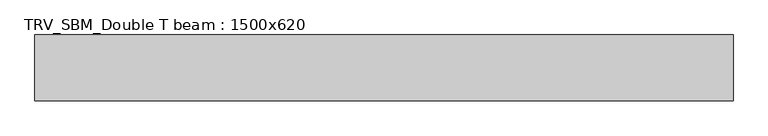
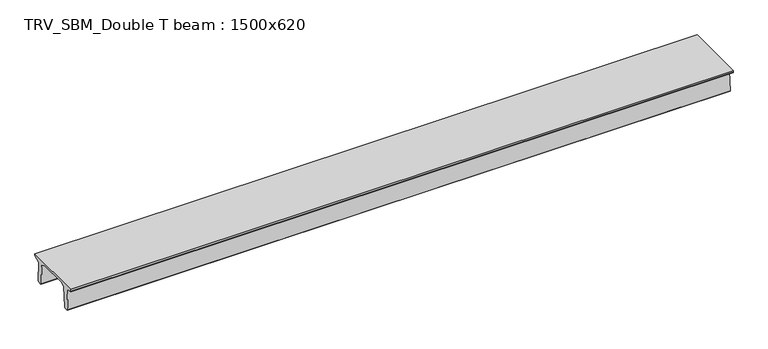
"""IFC4 building model written with IfcOpenShell, lengths in millimetres: beam geometry, TRV_SBM_Double T beam : 1500x620."""

from ifc_helpers import new_model, si_unit, frame, origin, place, context, project, spatial, polyline, outline, extrude, source, transform, mapped, element, save


def trv_sbm_double_t_beam_1500x620_a5925c21(model_context):
    return source(origin(), model_context, "Body", "SweptSolid", [
        extrude(outline(polyline([(-765.0, 215.0), (-765.0, 260.0), (735.0, 260.0), (735.0, 215.0), (728.2094488, 201.315559), (578.0626443, 140.6523122), (594.8277662, -339.4379646), (574.2657308, -360.0), (484.2657308, -360.0), (464.786332, -340.5206011), (447.8600761, 144.18395), (338.3237744, 210.0), (-367.4555014, 210.0), (-476.5389732, 151.9992892), (-507.0080378, -339.3850967), (-527.622941, -360.0), (-615.122941, -360.0), (-637.1143055, -338.0086356), (-606.1572167, 162.687806), (-761.3068466, 204.260024), (-765.0, 215.0)])), frame((-7965.5, 0.0, 0.0), z_axis=(1.0, 0.0, 0.0), x_axis=(0.0, 1.0, 0.0)), (0.0, 0.0, 1.0), 15931.0),
    ])


if __name__ == "__main__":
    model = new_model("IFC4")
    model_context = context("Model", 3, world=origin())
    ifc_project = project(units=[si_unit("LENGTHUNIT", "METRE", prefix="MILLI")], contexts=[model_context])
    site = spatial("IfcSite", under=ifc_project)
    building = spatial("IfcBuilding", under=site)
    placement = place(None, origin())
    trv_sbm_double_t_beam_1500x620_shape = trv_sbm_double_t_beam_1500x620_a5925c21(model_context)
    element("IfcBeam", 1, ObjectType="TRV_SBM_Double T beam : 1500x620", at=placement, inside=building, context=model_context, shape_type="MappedRepresentation", body=[
        mapped(trv_sbm_double_t_beam_1500x620_shape, transform((0.0, 0.0, 0.0), x_axis=(1.0, 0.0, 0.0), y_axis=(0.0, 1.0, 0.0), z_axis=(0.0, 0.0, 1.0))),
    ])
    save(model, "model.ifc")
